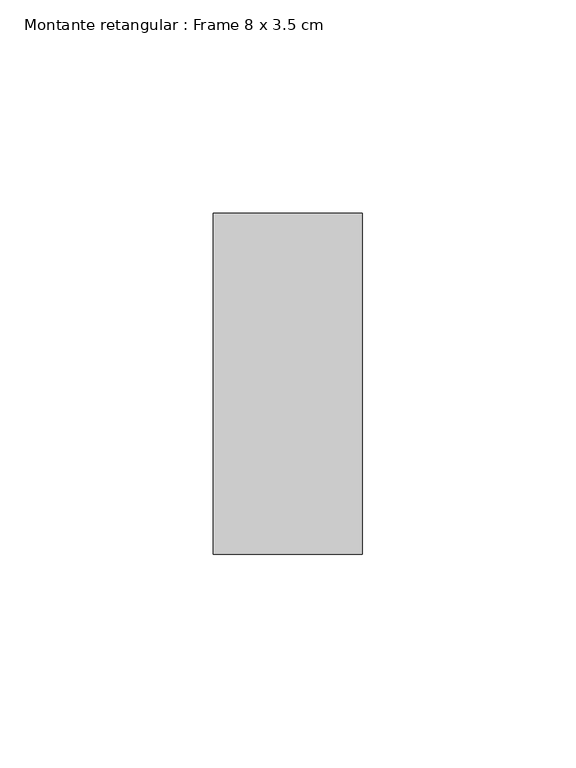
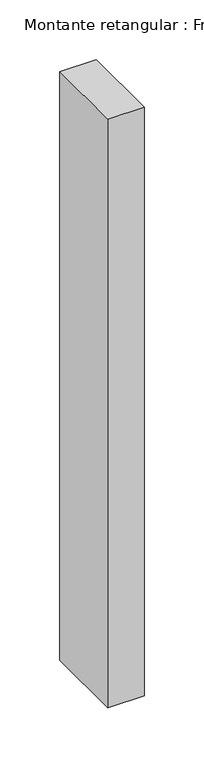
"""IFC4 building model written with IfcOpenShell, lengths in millimetres: member geometry, Montante retangular : Frame 8 x 3.5 cm."""

from ifc_helpers import new_model, si_unit, frame, origin, place, context, project, spatial, polyline, outline, extrude, source, transform, mapped, element, save


def montante_retangular_frame_8_x_3_5_cm_fec67ece(model_context):
    return source(origin(), model_context, "Body", "SweptSolid", [
        extrude(outline(polyline([(17.5, 40.0), (17.5, -40.0), (-17.5, -40.0), (-17.5, 40.0), (17.5, 40.0)])), frame((0.0, 0.0, -600.0), z_axis=(0.0, 0.0, 1.0), x_axis=(1.0, 0.0, 0.0)), (0.0, 0.0, 1.0), 600.0),
    ])


if __name__ == "__main__":
    model = new_model("IFC4")
    model_context = context("Model", 3, world=origin())
    ifc_project = project(units=[si_unit("LENGTHUNIT", "METRE", prefix="MILLI")], contexts=[model_context])
    site = spatial("IfcSite", under=ifc_project)
    building = spatial("IfcBuilding", under=site)
    placement = place(None, origin())
    montante_retangular_frame_8_x_3_5_cm_shape = montante_retangular_frame_8_x_3_5_cm_fec67ece(model_context)
    element("IfcMember", 1, ObjectType="Montante retangular : Frame 8 x 3.5 cm", at=placement, inside=building, context=model_context, shape_type="MappedRepresentation", body=[
        mapped(montante_retangular_frame_8_x_3_5_cm_shape, transform((0.0, 0.0, 0.0), x_axis=(1.0, 0.0, 0.0), y_axis=(0.0, 1.0, 0.0), z_axis=(0.0, 0.0, 1.0))),
    ])
    save(model, "model.ifc")
